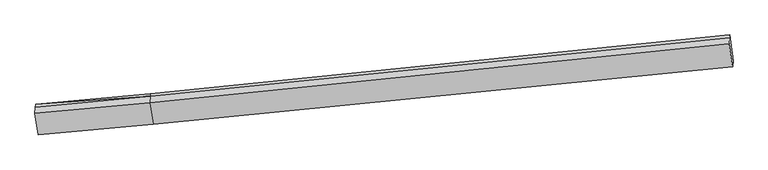
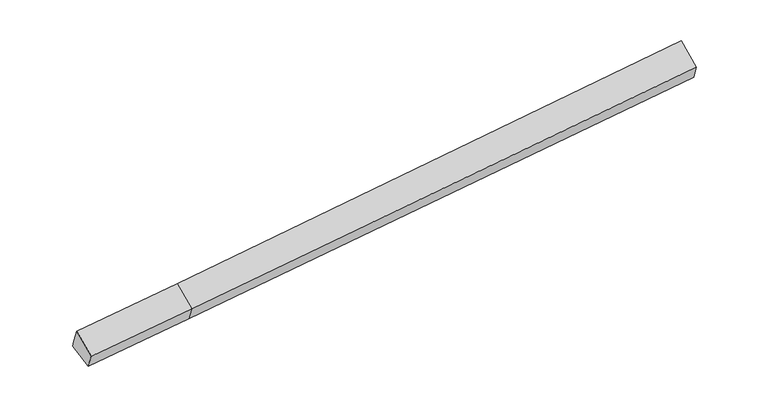
"""IFC4 building model written with IfcOpenShell, lengths in millimetres: proxy geometry."""

from ifc_helpers import new_model, si_unit, origin, place, context, project, spatial, faceted_brep, source, transform, mapped, element, save


def generic_models_134c366a(model_context):
    return source(origin(), model_context, "Body", "Brep", [
        faceted_brep([(-6918.2008208, -2635.5724063, 1149.8037851), (-6997.7688825, -2007.0975167, 1396.9641311), (-4030.1499321, -1727.9786364, 1595.458113), (-3950.5818704, -2356.453526, 1348.297767), (-7002.9377776, -2080.836526, 1582.8023431), (-4035.3188273, -1801.7176457, 1781.296325), (-7014.0662906, -2239.5949255, 1982.9077605), (-4046.4473403, -1960.4760452, 2181.4017424), (-6929.3927479, -2795.2354663, 1552.1891419), (-3961.7737976, -2516.116586, 1750.6831238), (10908.6625524, -447.8158277, 3199.763879), (10998.3168917, -1036.1411061, 2743.708871), (11009.2084965, -880.7624197, 2352.1210597), (10924.9599606, -215.3184189, 2613.8202496), (10919.7910654, -289.0574282, 2799.6584615)], [[[0, 1, 2, 3]], [[1, 4, 5]], [[4, 6, 7, 5]], [[6, 8, 9, 7]], [[8, 0, 3, 9]], [[10, 11, 12, 13, 14]], [[0, 8, 6, 4, 1]], [[5, 2, 1]], [[7, 9, 11, 10]], [[9, 3, 12, 11]], [[3, 2, 13, 12]], [[2, 5, 14, 13]], [[5, 7, 10, 14]]]),
    ])


if __name__ == "__main__":
    model = new_model("IFC4")
    model_context = context("Model", 3, world=origin())
    ifc_project = project(units=[si_unit("LENGTHUNIT", "METRE", prefix="MILLI")], contexts=[model_context])
    site = spatial("IfcSite", under=ifc_project)
    building = spatial("IfcBuilding", under=site)
    placement = place(None, origin())
    generic_models_shape = generic_models_134c366a(model_context)
    element("IfcBuildingElementProxy", 1, Name="Generic Models", at=placement, inside=building, context=model_context, shape_type="MappedRepresentation", body=[
        mapped(generic_models_shape, transform((0.0, 0.0, 0.0), x_axis=(1.0, 0.0, 0.0), y_axis=(0.0, 1.0, 0.0), z_axis=(0.0, 0.0, 1.0))),
    ])
    save(model, "model.ifc")
